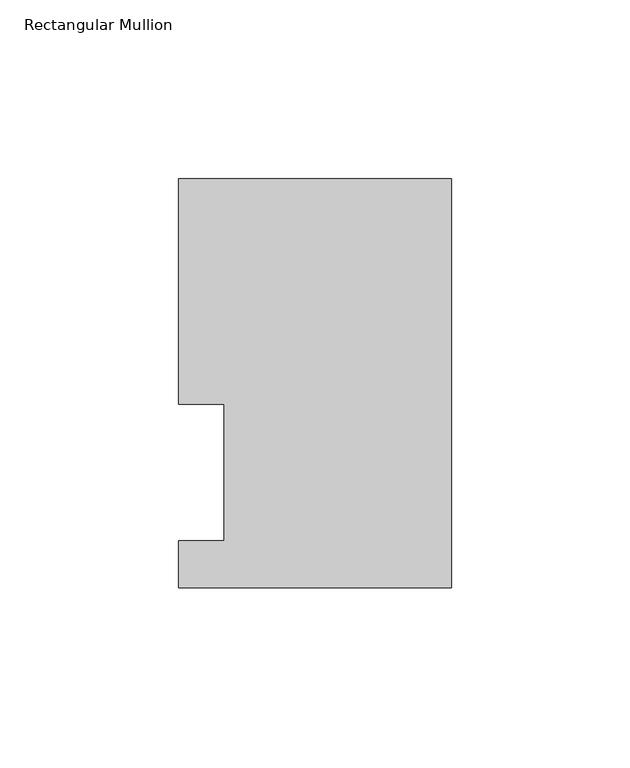
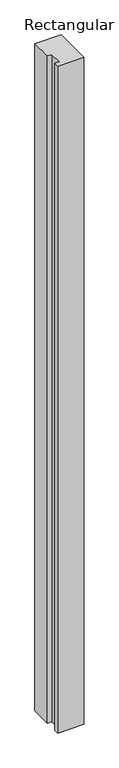
"""IFC4 building model written with IfcOpenShell, lengths in millimetres: member geometry, Rectangular Mullion."""

from ifc_helpers import new_model, si_unit, frame, origin, place, context, project, spatial, polyline, outline, extrude, source, transform, mapped, element, save


def rectangular_mullion_56956a4c(model_context):
    return source(origin(), model_context, "Body", "SweptSolid", [
        extrude(outline(polyline([(0.0, 115.5779375), (0.0, 1.2982575), (-76.1999994, 1.2982575), (-76.1999994, 14.4859375), (-63.5, 14.4859375), (-63.5, 52.5859375), (-76.1991956, 52.5859375), (-76.1991956, 115.5779375), (0.0, 115.5779375)])), frame((0.0, 0.0, -2057.4), z_axis=(0.0, 0.0, 1.0), x_axis=(1.0, 0.0, 0.0)), (0.0, 0.0, 1.0), 2057.4),
    ])


if __name__ == "__main__":
    model = new_model("IFC4")
    model_context = context("Model", 3, world=origin())
    ifc_project = project(units=[si_unit("LENGTHUNIT", "METRE", prefix="MILLI")], contexts=[model_context])
    site = spatial("IfcSite", under=ifc_project)
    building = spatial("IfcBuilding", under=site)
    placement = place(None, origin())
    rectangular_mullion_shape = rectangular_mullion_56956a4c(model_context)
    element("IfcMember", 1, ObjectType="Rectangular Mullion", at=placement, inside=building, context=model_context, shape_type="MappedRepresentation", body=[
        mapped(rectangular_mullion_shape, transform((0.0, 0.0, 0.0), x_axis=(1.0, 0.0, 0.0), y_axis=(0.0, 1.0, 0.0), z_axis=(0.0, 0.0, 1.0))),
    ])
    save(model, "model.ifc")
